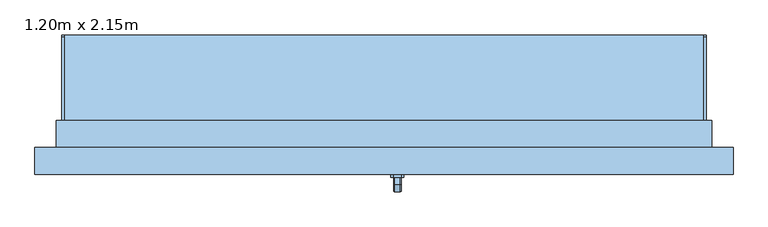
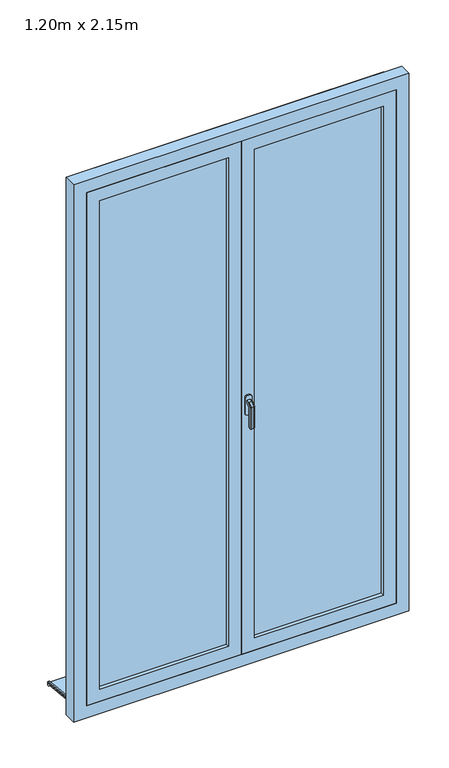
"""IFC4 building model written with IfcOpenShell, lengths in millimetres: window geometry, 1.20m x 2.15m."""

from ifc_helpers import new_model, si_unit, point, frame, frame_2d, origin, place, context, project, spatial, polyline, circle_curve, trimmed, segment, composite_curve, outline, extrude, faceted_brep, source, transform, mapped, element, save


def window_1_20m_x_2_15m_d61f0e5a(model_context):
    return source(origin(), model_context, "Body", "SolidModel", [
        faceted_brep([(30.6460097, -131.0, 1122.0339292), (32.0339292, -131.0, 1120.6460097), (32.0339292, -131.0, 1109.3323012), (30.6676988, -131.0, 1107.9660708), (19.3323012, -131.0, 1107.9660708), (17.9660708, -131.0, 1109.3323012), (17.9660708, -131.0, 1120.6460097), (19.3539903, -131.0, 1122.0339292), (30.6460097, -143.9135489, 1122.0339292), (32.0339292, -143.3386538, 1120.6460097), (32.0339292, -156.6460097, 1107.3386538), (32.0339292, -156.6460097, 1020.0), (32.0339292, -145.3323012, 1020.0), (32.0339292, -145.3323012, 1102.6523623), (32.0339292, -138.6523623, 1109.3323012), (30.6676988, -138.0864511, 1107.9660708), (19.3323012, -138.0864511, 1107.9660708), (17.9660708, -138.6523623, 1109.3323012), (17.9660708, -145.3323012, 1102.6523623), (17.9660708, -145.3323012, 1020.0), (17.9660708, -156.6460097, 1020.0), (17.9660708, -156.6460097, 1107.3386538), (17.9660708, -143.3386538, 1120.6460097), (19.3539903, -143.9135489, 1122.0339292), (30.6460097, -158.0339292, 1107.9135489), (30.6676988, -143.9660708, 1102.0864511), (19.3323012, -143.9660708, 1102.0864511), (19.3539903, -158.0339292, 1107.9135489), (30.6460097, -158.0339292, 1020.0), (19.3539903, -158.0339292, 1020.0), (19.3323012, -143.9660708, 1020.0), (30.6676988, -143.9660708, 1020.0)], [[[0, 1, 2, 3, 4, 5, 6, 7]], [[1, 0, 8, 9]], [[2, 1, 9, 10, 11, 12, 13, 14]], [[3, 2, 14, 15]], [[4, 3, 15, 16]], [[5, 4, 16, 17]], [[6, 5, 17, 18, 19, 20, 21, 22]], [[7, 6, 22, 23]], [[0, 7, 23, 8]], [[9, 8, 24, 10]], [[15, 14, 13, 25]], [[16, 15, 25, 26]], [[17, 16, 26, 18]], [[23, 22, 21, 27]], [[8, 23, 27, 24]], [[28, 29, 20, 19, 30, 31, 12, 11]], [[10, 24, 28, 11]], [[25, 13, 12, 31]], [[26, 25, 31, 30]], [[18, 26, 30, 19]], [[27, 21, 20, 29]], [[24, 27, 29, 28]]]),
        extrude(outline(polyline([(1140.0, 32.0), (1140.0, 18.0), (1135.0, 13.0), (1065.0, 13.0), (1060.0, 18.0), (1060.0, 32.0), (1065.0, 37.0), (1135.0, 37.0), (1140.0, 32.0)])), frame((0.0, -131.0, 0.0), z_axis=(0.0, 1.0, 0.0), x_axis=(0.0, 0.0, 1.0)), (0.0, 0.0, 1.0), 6.0),
        extrude(outline(polyline([(135.0288776, 21.3334143), (135.0288776, 10.2552118), (130.0288776, 10.7807329), (130.0288776, 16.6037237), (-45.0, 35.0), (-45.0, 50.0), (-40.0, 50.0), (-40.0, 39.7296906), (135.0288776, 21.3334143)])), frame((-600.0, 0.0, 0.0), z_axis=(1.0, 0.0, 0.0), x_axis=(0.0, 1.0, 0.0)), (0.0, 0.0, 1.0), 1200.0),
        extrude(outline(composite_curve([segment(polyline([(135.0288776, 21.3334143), (-40.0, 39.7296906), (-40.0, 44.757232), (131.4469915, 26.7374271)]), True, "CONTINUOUS"), segment(trimmed(circle_curve(frame_2d((131.0288776, 22.7593395)), 4.0), [point((131.4469915, 26.7374271))], [point((135.0288776, 22.7593395))], False, "CARTESIAN"), True, "CONTINUOUS"), segment(polyline([(135.0288776, 22.7593395), (135.0288776, 21.3334143)]), True, "CONTINUOUS")], self_intersect=False)), frame((-600.0, 0.0, 0.0), z_axis=(1.0, 0.0, 0.0), x_axis=(0.0, 1.0, 0.0)), (0.0, 0.0, 1.0), 5.0),
        extrude(outline(composite_curve([segment(polyline([(135.0288776, 21.3334143), (-40.0, 39.7296906), (-40.0, 44.757232), (131.4469915, 26.7374271)]), True, "CONTINUOUS"), segment(trimmed(circle_curve(frame_2d((131.0288776, 22.7593395)), 4.0), [point((131.4469915, 26.7374271))], [point((135.0288776, 22.7593395))], False, "CARTESIAN"), True, "CONTINUOUS"), segment(polyline([(135.0288776, 22.7593395), (135.0288776, 21.3334143)]), True, "CONTINUOUS")], self_intersect=False)), frame((595.0, 0.0, 0.0), z_axis=(1.0, 0.0, 0.0), x_axis=(0.0, 1.0, 0.0)), (0.0, 0.0, 1.0), 5.0),
        extrude(outline(polyline([(85.0, 0.0), (2185.0, 0.0), (2185.0, -600.0), (85.0, -600.0), (85.0, 0.0)]), holes=[polyline([(135.0, -550.0), (2135.0, -550.0), (2135.0, -50.0), (135.0, -50.0), (135.0, -550.0)])]), frame((0.0, -125.0, 0.0), z_axis=(0.0, 1.0, 0.0), x_axis=(0.0, 0.0, 1.0)), (0.0, 0.0, 1.0), 40.0),
        extrude(outline(polyline([(50.0, -99.0), (550.0, -99.0), (550.0, -111.0), (50.0, -111.0), (50.0, -99.0)])), frame((0.0, 0.0, 135.0), z_axis=(0.0, 0.0, 1.0), x_axis=(1.0, 0.0, 0.0)), (0.0, 0.0, 1.0), 2000.0),
        extrude(outline(polyline([(-550.0, -99.0), (-50.0, -99.0), (-50.0, -111.0), (-550.0, -111.0), (-550.0, -99.0)])), frame((0.0, 0.0, 135.0), z_axis=(0.0, 0.0, 1.0), x_axis=(1.0, 0.0, 0.0)), (0.0, 0.0, 1.0), 2000.0),
        extrude(outline(polyline([(85.0, 600.0), (2185.0, 600.0), (2185.0, 0.0), (85.0, 0.0), (85.0, 600.0)]), holes=[polyline([(135.0, 50.0), (2135.0, 50.0), (2135.0, 550.0), (135.0, 550.0), (135.0, 50.0)])]), frame((0.0, -125.0, 0.0), z_axis=(0.0, 1.0, 0.0), x_axis=(0.0, 0.0, 1.0)), (0.0, 0.0, 1.0), 40.0),
        faceted_brep([(-650.0, -125.0, 35.0), (-650.0, -75.0, 35.0), (-600.0, -75.0, 35.0), (-600.0, -45.0, 35.0), (600.0, -45.0, 35.0), (600.0, -75.0, 35.0), (650.0, -75.0, 35.0), (650.0, -125.0, 35.0), (-650.0, -125.0, 2235.0), (-650.0, -75.0, 2235.0), (650.0, -75.0, 2235.0), (600.0, -75.0, 74.3761425), (-600.0, -75.0, 74.3761425), (-585.0, -75.0, 2170.0), (-585.0, -75.0, 100.0), (585.0, -75.0, 100.0), (585.0, -75.0, 2170.0), (-600.0, -25.0, 60.9786829), (-600.0, -25.0, 45.0), (-600.0, -35.0, 45.0), (-600.0, -35.0, 50.0), (-600.0, -45.0, 50.0), (600.0, -45.0, 50.0), (600.0, -35.0, 50.0), (600.0, -35.0, 45.0), (600.0, -25.0, 45.0), (600.0, -25.0, 60.9786829), (650.0, -125.0, 2235.0), (600.0, -125.0, 2185.0), (600.0, -125.0, 85.0), (-600.0, -125.0, 85.0), (-600.0, -125.0, 2185.0), (-585.0, -85.0, 2170.0), (-585.0, -85.0, 100.0), (585.0, -85.0, 100.0), (585.0, -85.0, 2170.0), (600.0, -85.0, 2185.0), (-600.0, -85.0, 2185.0), (-600.0, -85.0, 85.0), (600.0, -85.0, 85.0)], [[[0, 1, 2, 3, 4, 5, 6, 7]], [[1, 0, 8, 9]], [[1, 9, 10, 6, 5, 11, 12, 2], [13, 14, 15, 16]], [[12, 17, 18, 19, 20, 21, 3, 2]], [[3, 21, 22, 4]], [[4, 22, 23, 24, 25, 26, 11, 5]], [[6, 10, 27, 7]], [[0, 7, 27, 8], [28, 29, 30, 31]], [[13, 32, 33, 14]], [[33, 34, 15, 14]], [[35, 16, 15, 34]], [[17, 12, 11, 26]], [[36, 37, 38, 39], [32, 35, 34, 33]], [[38, 37, 31, 30]], [[30, 29, 39, 38]], [[28, 36, 39, 29]], [[18, 17, 26, 25]], [[19, 18, 25, 24]], [[20, 19, 24, 23]], [[21, 20, 23, 22]], [[13, 16, 35, 32]], [[37, 36, 28, 31]], [[10, 9, 8, 27]]]),
        extrude(outline(polyline([(35.0, -610.0), (35.0, -600.0), (2185.0, -600.0), (2185.0, 600.0), (35.0, 600.0), (35.0, 610.0), (2195.0, 610.0), (2195.0, -610.0), (35.0, -610.0)])), frame((0.0, -75.0, 0.0), z_axis=(0.0, 1.0, 0.0), x_axis=(0.0, 0.0, 1.0)), (0.0, 0.0, 1.0), 50.0),
        extrude(outline(polyline([(20.0, -77.0), (20.0, -85.0), (-20.0, -85.0), (-20.0, -77.0), (20.0, -77.0)])), frame((0.0, 0.0, 100.0), z_axis=(0.0, 0.0, 1.0), x_axis=(1.0, 0.0, 0.0)), (0.0, 0.0, 1.0), 2070.0),
    ])


if __name__ == "__main__":
    model = new_model("IFC4")
    model_context = context("Model", 3, world=origin())
    ifc_project = project(units=[si_unit("LENGTHUNIT", "METRE", prefix="MILLI")], contexts=[model_context])
    site = spatial("IfcSite", under=ifc_project)
    building = spatial("IfcBuilding", under=site)
    placement = place(None, origin())
    window_1_20m_x_2_15m_shape = window_1_20m_x_2_15m_d61f0e5a(model_context)
    element("IfcWindow", 1, ObjectType="1.20m x 2.15m", at=placement, inside=building, context=model_context, shape_type="MappedRepresentation", body=[
        mapped(window_1_20m_x_2_15m_shape, transform((0.0, 0.0, 0.0), x_axis=(1.0, 0.0, 0.0), y_axis=(0.0, 1.0, 0.0), z_axis=(0.0, 0.0, 1.0))),
    ])
    save(model, "model.ifc")
